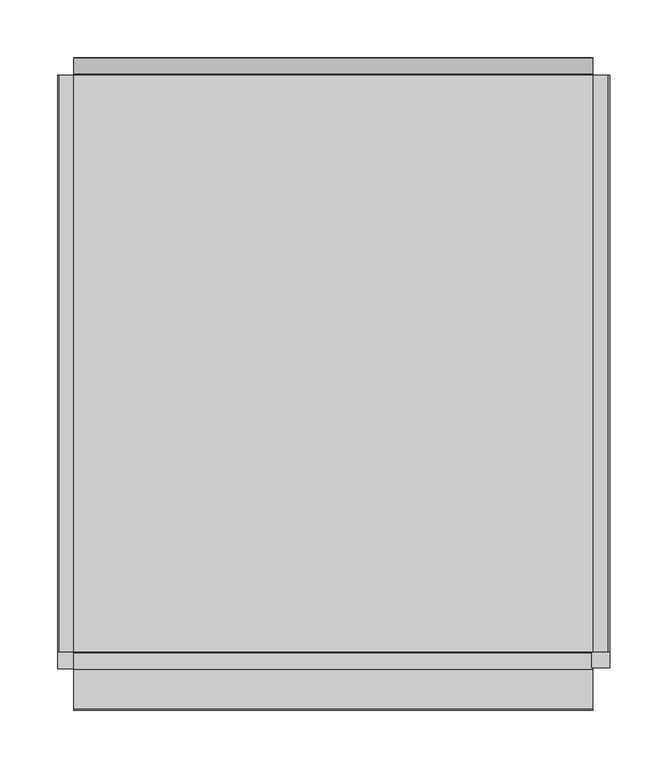
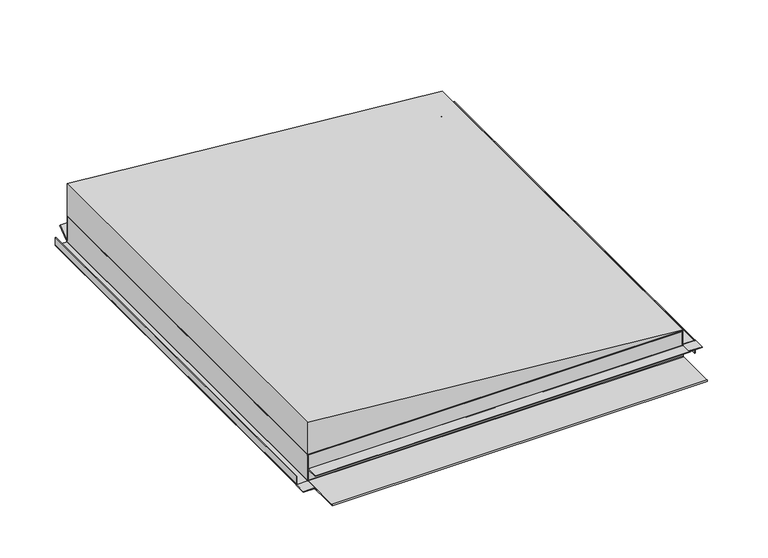
"""IFC4 building model written with IfcOpenShell, lengths in millimetres: proxy geometry."""

from ifc_helpers import new_model, si_unit, point, frame, frame_2d, origin, place, context, project, spatial, polyline, circle_curve, trimmed, segment, composite_curve, outline, extrude, faceted_brep, source, transform, mapped, element, save
from ifc_brep_helpers import plane_surface, cylinder_surface, revolved_surface, advanced_brep


def generic_models_fd97450c(model_context):
    return source(origin(), model_context, "Body", "SolidModel", [
        extrude(outline(composite_curve([segment(polyline([(0.33125, -237.7), (0.33125, -225.5)]), True, "CONTINUOUS"), segment(trimmed(circle_curve(frame_2d((1.63125, -225.5)), 1.3), [point((0.33125, -225.5))], [point((1.63125, -224.2))], False, "CARTESIAN"), True, "CONTINUOUS"), segment(polyline([(1.63125, -224.2), (33.33125, -224.2), (33.33125, -225.0), (1.63125, -225.0)]), True, "CONTINUOUS"), segment(trimmed(circle_curve(frame_2d((1.63125, -225.5)), 0.5), [point((1.63125, -225.0))], [point((1.13125, -225.5))], True, "CARTESIAN"), True, "CONTINUOUS"), segment(polyline([(1.13125, -225.5), (1.13125, -237.7)]), True, "CONTINUOUS"), segment(trimmed(circle_curve(frame_2d((1.63125, -237.7)), 0.5), [point((1.13125, -237.7))], [point((1.63125, -238.2))], True, "CARTESIAN"), True, "CONTINUOUS"), segment(polyline([(1.63125, -238.2), (11.33125, -238.2), (11.33125, -239.0), (1.63125, -239.0)]), True, "CONTINUOUS"), segment(trimmed(circle_curve(frame_2d((1.63125, -237.7)), 1.3), [point((1.63125, -239.0))], [point((0.33125, -237.7))], False, "CARTESIAN"), True, "CONTINUOUS")], self_intersect=False)), frame((0.0, -250.0, 0.0), z_axis=(0.0, 1.0, 0.0), x_axis=(0.0, 0.0, 1.0)), (0.0, 0.0, 1.0), 500.0),
        extrude(outline(polyline([(-239.0, -265.0), (-239.0, -250.0), (-224.2, -250.0), (-224.2, -265.0), (-239.0, -265.0)])), frame((0.0, 0.0, 0.33125), z_axis=(0.0, 0.0, 1.0), x_axis=(1.0, 0.0, 0.0)), (0.0, 0.0, 1.0), 0.8),
        extrude(outline(composite_curve([segment(polyline([(15.9, 225.5), (15.9, 238.7)]), True, "CONTINUOUS"), segment(trimmed(circle_curve(frame_2d((15.4, 238.7)), 0.5), [point((15.9, 238.7))], [point((15.4, 239.2))], True, "CARTESIAN"), True, "CONTINUOUS"), segment(polyline([(15.4, 239.2), (0.33125, 239.2), (0.33125, 240.0), (15.4, 240.0)]), True, "CONTINUOUS"), segment(trimmed(circle_curve(frame_2d((15.4, 238.7)), 1.3), [point((15.4, 240.0))], [point((16.7, 238.7))], False, "CARTESIAN"), True, "CONTINUOUS"), segment(polyline([(16.7, 238.7), (16.7, 225.5)]), True, "CONTINUOUS"), segment(trimmed(circle_curve(frame_2d((17.2, 225.5)), 0.5), [point((16.7, 225.5))], [point((17.2, 225.0))], True, "CARTESIAN"), True, "CONTINUOUS"), segment(polyline([(17.2, 225.0), (33.33125, 225.0), (33.33125, 224.2), (17.2, 224.2)]), True, "CONTINUOUS"), segment(trimmed(circle_curve(frame_2d((17.2, 225.5)), 1.3), [point((17.2, 224.2))], [point((15.9, 225.5))], False, "CARTESIAN"), True, "CONTINUOUS")], self_intersect=False)), frame((0.0, -250.0, 0.0), z_axis=(0.0, 1.0, 0.0), x_axis=(0.0, 0.0, 1.0)), (0.0, 0.0, 1.0), 500.0),
        extrude(outline(polyline([(240.0, -264.0), (224.2, -264.0), (224.2, -250.0), (240.0, -250.0), (240.0, -264.0)])), frame((0.0, 0.0, 15.9), z_axis=(0.0, 0.0, 1.0), x_axis=(1.0, 0.0, 0.0)), (0.0, 0.0, 1.0), 0.8),
        extrude(outline(composite_curve([segment(polyline([(-250.5, 0.0), (-300.15, 0.0)]), True, "CONTINUOUS"), segment(trimmed(circle_curve(frame_2d((-300.15, 0.85)), 0.85), [point((-300.15, 0.0))], [point((-300.15, 1.7))], False, "CARTESIAN"), True, "CONTINUOUS"), segment(polyline([(-300.15, 1.7), (-251.55, 1.7)]), True, "CONTINUOUS"), segment(trimmed(circle_curve(frame_2d((-251.55, 2.2)), 0.5), [point((-251.55, 1.7))], [point((-251.05, 2.2))], True, "CARTESIAN"), True, "CONTINUOUS"), segment(polyline([(-251.05, 2.2), (-251.05, 15.4)]), True, "CONTINUOUS"), segment(trimmed(circle_curve(frame_2d((-251.55, 15.4)), 0.5), [point((-251.05, 15.4))], [point((-251.55, 15.9))], True, "CARTESIAN"), True, "CONTINUOUS"), segment(polyline([(-251.55, 15.9), (-265.25, 15.9), (-265.25, 16.7), (-251.55, 16.7)]), True, "CONTINUOUS"), segment(trimmed(circle_curve(frame_2d((-251.55, 15.4)), 1.3), [point((-251.55, 16.7))], [point((-250.25, 15.4))], False, "CARTESIAN"), True, "CONTINUOUS"), segment(polyline([(-250.25, 15.4), (-250.25, 2.2)]), True, "CONTINUOUS"), segment(trimmed(circle_curve(frame_2d((-251.55, 2.2)), 1.3), [point((-250.25, 2.2))], [point((-251.55, 0.9))], False, "CARTESIAN"), True, "CONTINUOUS"), segment(polyline([(-251.55, 0.9), (-290.65, 0.9), (-250.5, 0.8)]), True, "CONTINUOUS"), segment(trimmed(circle_curve(frame_2d((-250.5, 1.3)), 0.5), [point((-250.5, 0.8))], [point((-250.0, 1.3))], True, "CARTESIAN"), True, "CONTINUOUS"), segment(polyline([(-250.0, 1.3), (-250.0, 33.0), (-249.2, 33.0), (-249.2, 1.3)]), True, "CONTINUOUS"), segment(trimmed(circle_curve(frame_2d((-250.5, 1.3)), 1.3), [point((-249.2, 1.3))], [point((-250.5, 0.0))], False, "CARTESIAN"), True, "CONTINUOUS")], self_intersect=False)), frame((-225.0, 0.0, 0.0), z_axis=(1.0, 0.0, 0.0), x_axis=(0.0, 1.0, 0.0)), (0.0, 0.0, 1.0), 450.0),
        advanced_brep(
        [(225.0, 250.0, 3.3), (225.0, 250.0, 33.0), (225.0, 249.2, 33.0), (225.0, 249.2, 3.3), (225.0, 251.4200663, 2.3815894), (225.0, 265.1302674, 12.712967), (225.0, 264.6488154, 13.3518754), (225.0, 250.8830222, 2.9786062), (-225.0, 250.0, 3.3), (-225.0, 250.8830222, 2.9786062), (-225.0, 264.6488154, 13.3518754), (-225.0, 265.1302674, 12.712967), (-225.0, 251.3644742, 2.3396978), (-225.0, 249.2, 3.3), (-225.0, 249.2, 33.0), (-225.0, 250.0, 33.0)],
        [
            (0, 1),
            (1, 2),
            (2, 3),
            (3, 4, circle_curve(frame((225.0, 250.5, 3.3), z_axis=(1.0, 0.0, 0.0), x_axis=(0.0, 1.0, 0.0)), 1.3)),
            (4, 5),
            (5, 6),
            (6, 7),
            (7, 0, circle_curve(frame((225.0, 250.5, 3.3), z_axis=(-1.0, 0.0, 0.0), x_axis=(0.0, 1.0, 0.0)), 0.5)),
            (8, 9, circle_curve(frame((-225.0, 250.5, 3.3), z_axis=(1.0, 0.0, 0.0), x_axis=(0.0, 1.0, 0.0)), 0.5)),
            (9, 10),
            (10, 11),
            (11, 12),
            (12, 13, circle_curve(frame((-225.0, 250.5, 3.3), z_axis=(-1.0, 0.0, 0.0), x_axis=(0.0, 1.0, 0.0)), 1.3)),
            (13, 14),
            (14, 15),
            (15, 8),
            (0, 8),
            (15, 1),
            (7, 9),
            (6, 10),
            (3, 13),
            (12, 4),
            (2, 14),
            (5, 11),
        ],
        [
            plane_surface(frame((225.0, 251.0, 3.3), z_axis=(1.0, 0.0, 0.0), x_axis=(0.0, 0.0, 1.0))),
            plane_surface(frame((-225.0, 251.0, 3.3), z_axis=(-1.0, 0.0, 0.0), x_axis=(0.0, 0.0, -1.0))),
            plane_surface(frame((225.0, 250.0, 33.0), z_axis=(0.0, 1.0, 0.0), x_axis=(-1.0, 0.0, 0.0))),
            revolved_surface(polyline([(-225.0, 251.0, 3.3), (225.0, 251.0, 3.3)]), (-225.0, 250.5, 3.3), (-1.0, 0.0, 0.0)),
            plane_surface(frame((225.0, 250.8830222, 2.9786062), z_axis=(0.0, -0.6018150231519699, 0.798635510047352), x_axis=(-1.0, 0.0, 0.0))),
            cylinder_surface(frame((-225.0, 250.5, 3.3), z_axis=(1.0, 0.0, 0.0), x_axis=(0.0, 1.0, 0.0)), 1.3),
            plane_surface(frame((225.0, 249.2, 3.3), z_axis=(0.0, -1.0, 0.0), x_axis=(-1.0, 0.0, 0.0))),
            plane_surface(frame((225.0, 249.2, 33.0), z_axis=(0.0, 0.0, 1.0), x_axis=(-1.0, 0.0, 0.0))),
            plane_surface(frame((225.0, 264.6488154, 13.3518754), z_axis=(0.0, 0.798635510047358, 0.6018150231519618), x_axis=(-1.0, 0.0, 0.0))),
            plane_surface(frame((225.0, 265.1302674, 12.712967), z_axis=(0.0, 0.6018150231519698, -0.798635510047352), x_axis=(-1.0, 0.0, 0.0))),
        ],
        [
            (0, [[1, 2, 3, 4, 5, 6, 7, 8]]),
            (1, [[9, 10, 11, 12, 13, 14, 15, 16]]),
            (2, [[17, -16, 18, -1]]),
            (3, [[19, -9, -17, -8]]),
            (4, [[20, -10, -19, -7]]),
            (5, [[21, -13, 22, -4]]),
            (6, [[23, -14, -21, -3]]),
            (7, [[-18, -15, -23, -2]]),
            (8, [[24, -11, -20, -6]]),
            (9, [[-22, -12, -24, -5]]),
        ],
    ),
        faceted_brep([(-225.0, -250.0, 34.0), (225.0, -250.0, 34.0), (225.0, 250.0, 34.0), (-225.0, 250.0, 34.0), (-225.0, -250.0, 33.0), (-225.0, -249.2, 33.0), (-225.0, 250.0, 33.0), (225.0, 250.0, 33.0), (225.0, -249.2, 33.0), (225.0, -250.0, 33.0)], [[[0, 1, 2, 3]], [[4, 5, 6, 7, 8, 9]], [[3, 6, 5, 4, 0]], [[2, 7, 6, 3]], [[1, 9, 8, 7, 2]], [[0, 4, 9, 1]]]),
        extrude(outline(polyline([(35.0, 225.0), (75.0, -225.0), (33.8, -225.0), (33.8, 225.0), (35.0, 225.0)])), frame((0.0, -250.0, 0.0), z_axis=(0.0, 1.0, 0.0), x_axis=(0.0, 0.0, 1.0)), (0.0, 0.0, 1.0), 500.0),
    ])


if __name__ == "__main__":
    model = new_model("IFC4")
    model_context = context("Model", 3, world=origin())
    ifc_project = project(units=[si_unit("LENGTHUNIT", "METRE", prefix="MILLI")], contexts=[model_context])
    site = spatial("IfcSite", under=ifc_project)
    building = spatial("IfcBuilding", under=site)
    placement = place(None, origin())
    generic_models_shape = generic_models_fd97450c(model_context)
    element("IfcBuildingElementProxy", 1, Name="Generic Models", at=placement, inside=building, context=model_context, shape_type="MappedRepresentation", body=[
        mapped(generic_models_shape, transform((0.0, 0.0, 0.0), x_axis=(1.0, 0.0, 0.0), y_axis=(0.0, 1.0, 0.0), z_axis=(0.0, 0.0, 1.0))),
    ])
    save(model, "model.ifc")
